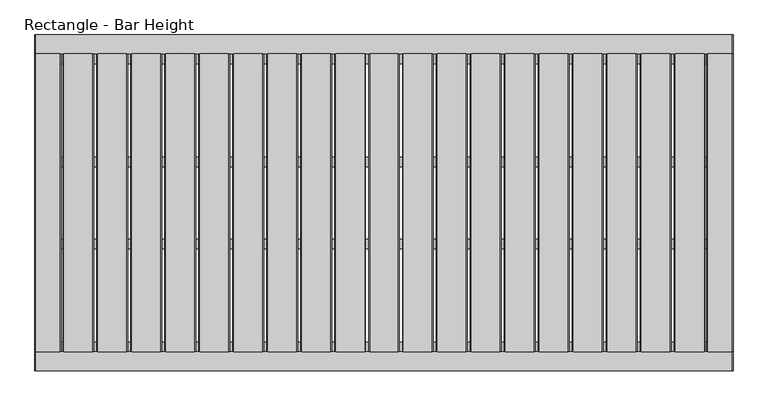
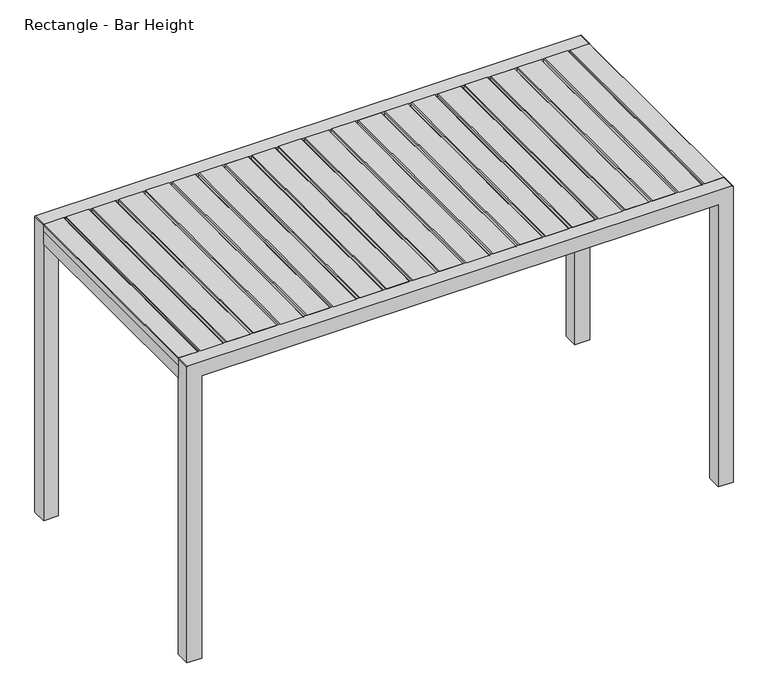
"""IFC4 building model written with IfcOpenShell, lengths in millimetres: furniture geometry, Rectangle - Bar Height."""

from ifc_helpers import new_model, si_unit, point, frame, frame_2d, origin, place, context, project, spatial, polyline, circle_curve, trimmed, segment, composite_curve, outline, extrude, source, transform, mapped, element, save


def rectangle_bar_height_4d2c2514(model_context):
    return source(origin(), model_context, "Body", "SweptSolid", [
        extrude(outline(polyline([(1041.4, 764.8883681), (1064.2767182, 764.8883681), (1066.8, 762.3651179), (1066.8, 685.2584932), (1064.2767182, 682.7352431), (1041.4, 682.7352431), (1041.4, 764.8883681)])), frame((0.0, -400.9049408, 0.0), z_axis=(0.0, 1.0, 0.0), x_axis=(0.0, 0.0, 1.0)), (0.0, 0.0, 1.0), 793.75),
        extrude(outline(polyline([(1041.4, 674.4118924), (1064.2767182, 674.4118924), (1066.8, 671.8886422), (1066.8, 594.7820175), (1064.2767182, 592.2587674), (1041.4, 592.2587674), (1041.4, 674.4118924)])), frame((0.0, -400.9049408, 0.0), z_axis=(0.0, 1.0, 0.0), x_axis=(0.0, 0.0, 1.0)), (0.0, 0.0, 1.0), 793.75),
        extrude(outline(polyline([(1041.4, 583.9354167), (1064.2767182, 583.9354167), (1066.8, 581.4121665), (1066.8, 504.3055418), (1064.2767182, 501.7822917), (1041.4, 501.7822917), (1041.4, 583.9354167)])), frame((0.0, -400.9049408, 0.0), z_axis=(0.0, 1.0, 0.0), x_axis=(0.0, 0.0, 1.0)), (0.0, 0.0, 1.0), 793.75),
        extrude(outline(polyline([(1041.4, 493.458941), (1064.2767182, 493.458941), (1066.8, 490.9356908), (1066.8, 413.8290661), (1064.2767182, 411.305816), (1041.4, 411.305816), (1041.4, 493.458941)])), frame((0.0, -400.9049408, 0.0), z_axis=(0.0, 1.0, 0.0), x_axis=(0.0, 0.0, 1.0)), (0.0, 0.0, 1.0), 793.75),
        extrude(outline(polyline([(1041.4, 402.9824653), (1064.2767182, 402.9824653), (1066.8, 400.4592151), (1066.8, 323.3525904), (1064.2767182, 320.8293403), (1041.4, 320.8293403), (1041.4, 402.9824653)])), frame((0.0, -400.9049408, 0.0), z_axis=(0.0, 1.0, 0.0), x_axis=(0.0, 0.0, 1.0)), (0.0, 0.0, 1.0), 793.75),
        extrude(outline(polyline([(1041.4, 312.5059896), (1064.2767182, 312.5059896), (1066.8, 309.9827394), (1066.8, 232.8761148), (1064.2767182, 230.3528646), (1041.4, 230.3528646), (1041.4, 312.5059896)])), frame((0.0, -400.9049408, 0.0), z_axis=(0.0, 1.0, 0.0), x_axis=(0.0, 0.0, 1.0)), (0.0, 0.0, 1.0), 793.75),
        extrude(outline(polyline([(1041.4, 222.0295139), (1064.2767182, 222.0295139), (1066.8, 219.5062637), (1066.8, 142.3996391), (1064.2767182, 139.8763889), (1041.4, 139.8763889), (1041.4, 222.0295139)])), frame((0.0, -400.9049408, 0.0), z_axis=(0.0, 1.0, 0.0), x_axis=(0.0, 0.0, 1.0)), (0.0, 0.0, 1.0), 793.75),
        extrude(outline(polyline([(1041.4, 131.5530382), (1064.2767182, 131.5530382), (1066.8, 129.029788), (1066.8, 51.9231634), (1064.2767182, 49.3999132), (1041.4, 49.3999132), (1041.4, 131.5530382)])), frame((0.0, -400.9049408, 0.0), z_axis=(0.0, 1.0, 0.0), x_axis=(0.0, 0.0, 1.0)), (0.0, 0.0, 1.0), 793.75),
        extrude(outline(polyline([(1041.4, 41.0765625), (1064.2767182, 41.0765625), (1066.8, 38.5533123), (1066.8, -38.5533123), (1064.2767182, -41.0765625), (1041.4, -41.0765625), (1041.4, 41.0765625)])), frame((0.0, -400.9049408, 0.0), z_axis=(0.0, 1.0, 0.0), x_axis=(0.0, 0.0, 1.0)), (0.0, 0.0, 1.0), 793.75),
        extrude(outline(polyline([(1041.4, -49.3999132), (1064.2767182, -49.3999132), (1066.8, -51.9231634), (1066.8, -129.029788), (1064.2767182, -131.5530382), (1041.4, -131.5530382), (1041.4, -49.3999132)])), frame((0.0, -400.9049408, 0.0), z_axis=(0.0, 1.0, 0.0), x_axis=(0.0, 0.0, 1.0)), (0.0, 0.0, 1.0), 793.75),
        extrude(outline(polyline([(1041.4, -139.8763889), (1064.2767182, -139.8763889), (1066.8, -142.3996391), (1066.8, -219.5062637), (1064.2767182, -222.0295139), (1041.4, -222.0295139), (1041.4, -139.8763889)])), frame((0.0, -400.9049408, 0.0), z_axis=(0.0, 1.0, 0.0), x_axis=(0.0, 0.0, 1.0)), (0.0, 0.0, 1.0), 793.75),
        extrude(outline(polyline([(1041.4, -230.3528646), (1064.2767182, -230.3528646), (1066.8, -232.8761148), (1066.8, -309.9827394), (1064.2767182, -312.5059896), (1041.4, -312.5059896), (1041.4, -230.3528646)])), frame((0.0, -400.9049408, 0.0), z_axis=(0.0, 1.0, 0.0), x_axis=(0.0, 0.0, 1.0)), (0.0, 0.0, 1.0), 793.75),
        extrude(outline(polyline([(1041.4, -320.8293403), (1064.2767182, -320.8293403), (1066.8, -323.3525904), (1066.8, -400.4592151), (1064.2767182, -402.9824653), (1041.4, -402.9824653), (1041.4, -320.8293403)])), frame((0.0, -400.9049408, 0.0), z_axis=(0.0, 1.0, 0.0), x_axis=(0.0, 0.0, 1.0)), (0.0, 0.0, 1.0), 793.75),
        extrude(outline(polyline([(1041.4, -411.305816), (1064.2767182, -411.305816), (1066.8, -413.8290661), (1066.8, -490.9356908), (1064.2767182, -493.458941), (1041.4, -493.458941), (1041.4, -411.305816)])), frame((0.0, -400.9049408, 0.0), z_axis=(0.0, 1.0, 0.0), x_axis=(0.0, 0.0, 1.0)), (0.0, 0.0, 1.0), 793.75),
        extrude(outline(polyline([(1041.4, -501.7822917), (1064.2767182, -501.7822917), (1066.8, -504.3055418), (1066.8, -581.4121665), (1064.2767182, -583.9354167), (1041.4, -583.9354167), (1041.4, -501.7822917)])), frame((0.0, -400.9049408, 0.0), z_axis=(0.0, 1.0, 0.0), x_axis=(0.0, 0.0, 1.0)), (0.0, 0.0, 1.0), 793.75),
        extrude(outline(polyline([(1041.4, -592.2587674), (1064.2767182, -592.2587674), (1066.8, -594.7820175), (1066.8, -671.8886422), (1064.2767182, -674.4118924), (1041.4, -674.4118924), (1041.4, -592.2587674)])), frame((0.0, -400.9049408, 0.0), z_axis=(0.0, 1.0, 0.0), x_axis=(0.0, 0.0, 1.0)), (0.0, 0.0, 1.0), 793.75),
        extrude(outline(polyline([(1041.4, -682.7352431), (1064.2767182, -682.7352431), (1066.8, -685.2584932), (1066.8, -762.3651179), (1064.2767182, -764.8883681), (1041.4, -764.8883681), (1041.4, -682.7352431)])), frame((0.0, -400.9049408, 0.0), z_axis=(0.0, 1.0, 0.0), x_axis=(0.0, 0.0, 1.0)), (0.0, 0.0, 1.0), 793.75),
        extrude(outline(polyline([(1041.4, 855.3648438), (1064.2767182, 855.3648438), (1066.8, 852.8415936), (1066.8, 775.7349689), (1064.2767182, 773.2117188), (1041.4, 773.2117188), (1041.4, 855.3648438)])), frame((0.0, -400.9049408, 0.0), z_axis=(0.0, 1.0, 0.0), x_axis=(0.0, 0.0, 1.0)), (0.0, 0.0, 1.0), 793.75),
        extrude(outline(polyline([(1041.4, -773.2117187), (1064.2767182, -773.2117187), (1066.8, -775.7349689), (1066.8, -852.8415936), (1064.2767182, -855.3648437), (1041.4, -855.3648437), (1041.4, -773.2117187)])), frame((0.0, -400.9049408, 0.0), z_axis=(0.0, 1.0, 0.0), x_axis=(0.0, 0.0, 1.0)), (0.0, 0.0, 1.0), 793.75),
        extrude(outline(polyline([(1041.4, -930.275), (1041.4, -860.4249879), (1064.2596996, -860.4249879), (1066.8, -862.9652519), (1066.8, -927.7347481), (1064.2597117, -930.275), (1041.4, -930.275)])), frame((0.0, -400.9049408, 0.0), z_axis=(0.0, 1.0, 0.0), x_axis=(0.0, 0.0, 1.0)), (0.0, 0.0, 1.0), 793.75),
        extrude(outline(polyline([(1041.4, 930.275), (1064.2597117, 930.275), (1066.8, 927.7347481), (1066.8, 862.9652519), (1064.2596996, 860.4249879), (1041.4, 860.4249879), (1041.4, 930.275)])), frame((0.0, -400.9049408, 0.0), z_axis=(0.0, 1.0, 0.0), x_axis=(0.0, 0.0, 1.0)), (0.0, 0.0, 1.0), 793.75),
        extrude(outline(polyline([(879.4749879, -100.3382701), (879.4749879, -125.7382731), (-879.4749879, -125.7382731), (-879.4749879, -100.3382701), (879.4749879, -100.3382701)])), frame((0.0, 0.0, 1016.0), z_axis=(0.0, 0.0, 1.0), x_axis=(1.0, 0.0, 0.0)), (0.0, 0.0, 1.0), 25.4),
        extrude(outline(polyline([(879.4749879, -375.5049347), (879.4749879, -400.9049408), (-879.4749879, -400.9049408), (-879.4749879, -375.5049347), (879.4749879, -375.5049347)])), frame((0.0, 0.0, 1016.0), z_axis=(0.0, 0.0, 1.0), x_axis=(1.0, 0.0, 0.0)), (0.0, 0.0, 1.0), 25.4),
        extrude(outline(polyline([(879.4749879, 392.8450592), (879.4749879, 367.4450532), (-879.4749879, 367.4450532), (-879.4749879, 392.8450592), (879.4749879, 392.8450592)])), frame((0.0, 0.0, 1016.0), z_axis=(0.0, 0.0, 1.0), x_axis=(1.0, 0.0, 0.0)), (0.0, 0.0, 1.0), 25.4),
        extrude(outline(polyline([(879.4749879, 117.6783915), (879.4749879, 92.2783885), (-879.4749879, 92.2783885), (-879.4749879, 117.6783915), (879.4749879, 117.6783915)])), frame((0.0, 0.0, 1016.0), z_axis=(0.0, 0.0, 1.0), x_axis=(1.0, 0.0, 0.0)), (0.0, 0.0, 1.0), 25.4),
        extrude(outline(polyline([(-879.4749879, -400.9049408), (-930.275, -400.9049408), (-930.275, 392.8450592), (-879.4749879, 392.8450592), (-879.4749879, -400.9049408)])), frame((0.0, 0.0, 995.934001), z_axis=(0.0, 0.0, 1.0), x_axis=(1.0, 0.0, 0.0)), (0.0, 0.0, 1.0), 45.465999),
        extrude(outline(polyline([(930.275, -400.9049408), (879.4749879, -400.9049408), (879.4749879, 392.8450592), (930.275, 392.8450592), (930.275, -400.9049408)])), frame((0.0, 0.0, 995.934001), z_axis=(0.0, 0.0, 1.0), x_axis=(1.0, 0.0, 0.0)), (0.0, 0.0, 1.0), 45.465999),
        extrude(outline(composite_curve([segment(polyline([(0.0, -879.4749879), (1016.0, -879.4749879), (1016.0, 879.4749879), (0.0, 879.4749879), (0.0, 930.275), (1064.2203125, 930.275)]), True, "CONTINUOUS"), segment(trimmed(circle_curve(frame_2d((1064.2203125, 927.6953125)), 2.5796875), [point((1064.2203125, 930.275))], [point((1066.8, 927.6953125))], False, "CARTESIAN"), True, "CONTINUOUS"), segment(polyline([(1066.8, 927.6953125), (1066.8, -927.6953125)]), True, "CONTINUOUS"), segment(trimmed(circle_curve(frame_2d((1064.2203125, -927.6953125)), 2.5796875), [point((1066.8, -927.6953125))], [point((1064.2203125, -930.275))], False, "CARTESIAN"), True, "CONTINUOUS"), segment(polyline([(1064.2203125, -930.275), (0.0, -930.275), (0.0, -879.4749879)]), True, "CONTINUOUS")], self_intersect=False)), frame((0.0, 392.8450592, 0.0), z_axis=(0.0, 1.0, 0.0), x_axis=(0.0, 0.0, 1.0)), (0.0, 0.0, 1.0), 50.8),
        extrude(outline(composite_curve([segment(polyline([(0.0, -879.4749879), (1016.0, -879.4749879), (1016.0, 879.4749879), (0.0, 879.4749879), (0.0, 930.275), (1064.2203125, 930.275)]), True, "CONTINUOUS"), segment(trimmed(circle_curve(frame_2d((1064.2203125, 927.6953125)), 2.5796875), [point((1064.2203125, 930.275))], [point((1066.8, 927.6953125))], False, "CARTESIAN"), True, "CONTINUOUS"), segment(polyline([(1066.8, 927.6953125), (1066.8, -927.6953125)]), True, "CONTINUOUS"), segment(trimmed(circle_curve(frame_2d((1064.2203125, -927.6953125)), 2.5796875), [point((1066.8, -927.6953125))], [point((1064.2203125, -930.275))], False, "CARTESIAN"), True, "CONTINUOUS"), segment(polyline([(1064.2203125, -930.275), (0.0, -930.275), (0.0, -879.4749879)]), True, "CONTINUOUS")], self_intersect=False)), frame((0.0, -451.7049408, 0.0), z_axis=(0.0, 1.0, 0.0), x_axis=(0.0, 0.0, 1.0)), (0.0, 0.0, 1.0), 50.8),
    ])


if __name__ == "__main__":
    model = new_model("IFC4")
    model_context = context("Model", 3, world=origin())
    ifc_project = project(units=[si_unit("LENGTHUNIT", "METRE", prefix="MILLI")], contexts=[model_context])
    site = spatial("IfcSite", under=ifc_project)
    building = spatial("IfcBuilding", under=site)
    placement = place(None, origin())
    rectangle_bar_height_shape = rectangle_bar_height_4d2c2514(model_context)
    element("IfcFurniture", 1, ObjectType="Rectangle - Bar Height", at=placement, inside=building, context=model_context, shape_type="MappedRepresentation", body=[
        mapped(rectangle_bar_height_shape, transform((0.0, 0.0, 0.0), x_axis=(1.0, 0.0, 0.0), y_axis=(0.0, 1.0, 0.0), z_axis=(0.0, 0.0, 1.0))),
    ])
    save(model, "model.ifc")
